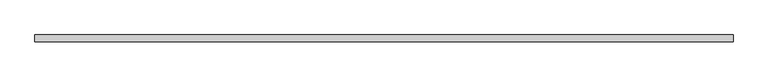
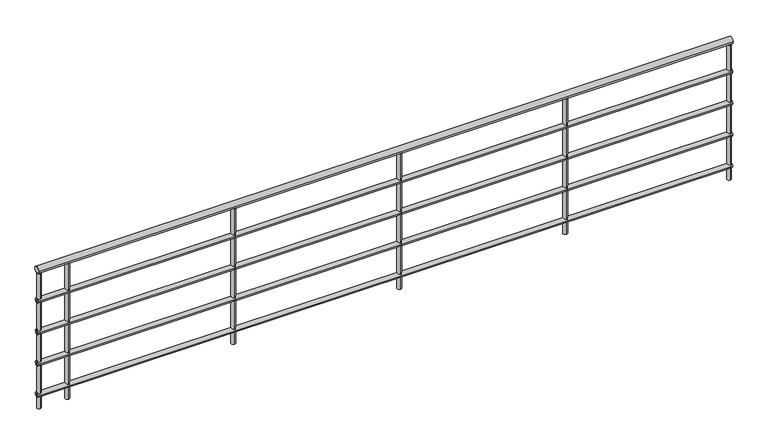
"""IFC4 building model written with IfcOpenShell, lengths in millimetres: railing geometry."""

from ifc_helpers import new_model, si_unit, point, frame, frame_2d, origin, origin_with_axes, place, context, project, spatial, circle_curve, trimmed, segment, composite_curve, outline, extrude, source, transform, mapped, element, save


def railing_e0d0bfd9(model_context):
    return source(origin(), model_context, "Body", "SweptSolid", [
        extrude(outline(composite_curve([segment(trimmed(circle_curve(frame_2d((-3714.9211093, 880.0)), 20.0), [point((-3734.9211093, 880.0))], [point((-3694.9211093, 880.0))], False, "CARTESIAN"), True, "CONTINUOUS"), segment(trimmed(circle_curve(frame_2d((-3714.9211093, 880.0)), 20.0), [point((-3694.9211093, 880.0))], [point((-3734.9211093, 880.0))], False, "CARTESIAN"), True, "CONTINUOUS")], self_intersect=False)), frame((-10658.5009188, 0.0, 0.0), z_axis=(1.0, 0.0, 0.0), x_axis=(0.0, 1.0, 0.0)), (0.0, 0.0, 1.0), 4182.7868852),
        extrude(outline(composite_curve([segment(trimmed(circle_curve(frame_2d((-3714.9211093, 685.0)), 15.0), [point((-3729.9211093, 685.0))], [point((-3699.9211093, 685.0))], False, "CARTESIAN"), True, "CONTINUOUS"), segment(trimmed(circle_curve(frame_2d((-3714.9211093, 685.0)), 15.0), [point((-3699.9211093, 685.0))], [point((-3729.9211093, 685.0))], False, "CARTESIAN"), True, "CONTINUOUS")], self_intersect=False)), frame((-10658.5009188, 0.0, 0.0), z_axis=(1.0, 0.0, 0.0), x_axis=(0.0, 1.0, 0.0)), (0.0, 0.0, 1.0), 4182.7868852),
        extrude(outline(composite_curve([segment(trimmed(circle_curve(frame_2d((-3714.9211093, 485.0)), 15.0), [point((-3729.9211093, 485.0))], [point((-3699.9211093, 485.0))], False, "CARTESIAN"), True, "CONTINUOUS"), segment(trimmed(circle_curve(frame_2d((-3714.9211093, 485.0)), 15.0), [point((-3699.9211093, 485.0))], [point((-3729.9211093, 485.0))], False, "CARTESIAN"), True, "CONTINUOUS")], self_intersect=False)), frame((-10658.5009188, 0.0, 0.0), z_axis=(1.0, 0.0, 0.0), x_axis=(0.0, 1.0, 0.0)), (0.0, 0.0, 1.0), 4182.7868852),
        extrude(outline(composite_curve([segment(trimmed(circle_curve(frame_2d((-3714.9211093, 285.0)), 15.0), [point((-3729.9211093, 285.0))], [point((-3699.9211093, 285.0))], False, "CARTESIAN"), True, "CONTINUOUS"), segment(trimmed(circle_curve(frame_2d((-3714.9211093, 285.0)), 15.0), [point((-3699.9211093, 285.0))], [point((-3729.9211093, 285.0))], False, "CARTESIAN"), True, "CONTINUOUS")], self_intersect=False)), frame((-10658.5009188, 0.0, 0.0), z_axis=(1.0, 0.0, 0.0), x_axis=(0.0, 1.0, 0.0)), (0.0, 0.0, 1.0), 4182.7868852),
        extrude(outline(composite_curve([segment(trimmed(circle_curve(frame_2d((-3714.9211093, 85.0)), 15.0), [point((-3729.9211093, 85.0))], [point((-3699.9211093, 85.0))], False, "CARTESIAN"), True, "CONTINUOUS"), segment(trimmed(circle_curve(frame_2d((-3714.9211093, 85.0)), 15.0), [point((-3699.9211093, 85.0))], [point((-3729.9211093, 85.0))], False, "CARTESIAN"), True, "CONTINUOUS")], self_intersect=False)), frame((-10658.5009188, 0.0, 0.0), z_axis=(1.0, 0.0, 0.0), x_axis=(0.0, 1.0, 0.0)), (0.0, 0.0, 1.0), 4182.7868852),
        extrude(outline(composite_curve([segment(trimmed(circle_curve(frame_2d((-10475.7140335, -3714.9211093)), 12.5), [point((-10475.7140335, -3727.4211093))], [point((-10475.7140335, -3702.4211093))], False, "CARTESIAN"), True, "CONTINUOUS"), segment(trimmed(circle_curve(frame_2d((-10475.7140335, -3714.9211093)), 12.5), [point((-10475.7140335, -3702.4211093))], [point((-10475.7140335, -3727.4211093))], False, "CARTESIAN"), True, "CONTINUOUS")], self_intersect=False)), origin_with_axes(), (0.0, 0.0, 1.0), 860.0),
        extrude(outline(composite_curve([segment(trimmed(circle_curve(frame_2d((-9475.7140335, -3714.9211093)), 12.5), [point((-9475.7140335, -3727.4211093))], [point((-9475.7140335, -3702.4211093))], False, "CARTESIAN"), True, "CONTINUOUS"), segment(trimmed(circle_curve(frame_2d((-9475.7140335, -3714.9211093)), 12.5), [point((-9475.7140335, -3702.4211093))], [point((-9475.7140335, -3727.4211093))], False, "CARTESIAN"), True, "CONTINUOUS")], self_intersect=False)), origin_with_axes(), (0.0, 0.0, 1.0), 860.0),
        extrude(outline(composite_curve([segment(trimmed(circle_curve(frame_2d((-8475.7140335, -3714.9211093)), 12.5), [point((-8475.7140335, -3727.4211093))], [point((-8475.7140335, -3702.4211093))], False, "CARTESIAN"), True, "CONTINUOUS"), segment(trimmed(circle_curve(frame_2d((-8475.7140335, -3714.9211093)), 12.5), [point((-8475.7140335, -3702.4211093))], [point((-8475.7140335, -3727.4211093))], False, "CARTESIAN"), True, "CONTINUOUS")], self_intersect=False)), origin_with_axes(), (0.0, 0.0, 1.0), 860.0),
        extrude(outline(composite_curve([segment(trimmed(circle_curve(frame_2d((-7475.7140335, -3714.9211093)), 12.5), [point((-7475.7140335, -3727.4211093))], [point((-7475.7140335, -3702.4211093))], False, "CARTESIAN"), True, "CONTINUOUS"), segment(trimmed(circle_curve(frame_2d((-7475.7140335, -3714.9211093)), 12.5), [point((-7475.7140335, -3702.4211093))], [point((-7475.7140335, -3727.4211093))], False, "CARTESIAN"), True, "CONTINUOUS")], self_intersect=False)), origin_with_axes(), (0.0, 0.0, 1.0), 860.0),
        extrude(outline(composite_curve([segment(trimmed(circle_curve(frame_2d((-10646.0009188, -3714.9211093)), 12.5), [point((-10646.0009188, -3727.4211093))], [point((-10646.0009188, -3702.4211093))], False, "CARTESIAN"), True, "CONTINUOUS"), segment(trimmed(circle_curve(frame_2d((-10646.0009188, -3714.9211093)), 12.5), [point((-10646.0009188, -3702.4211093))], [point((-10646.0009188, -3727.4211093))], False, "CARTESIAN"), True, "CONTINUOUS")], self_intersect=False)), origin_with_axes(), (0.0, 0.0, 1.0), 860.0),
        extrude(outline(composite_curve([segment(trimmed(circle_curve(frame_2d((-6488.2140335, -3714.9211093)), 12.5), [point((-6488.2140335, -3727.4211093))], [point((-6488.2140335, -3702.4211093))], False, "CARTESIAN"), True, "CONTINUOUS"), segment(trimmed(circle_curve(frame_2d((-6488.2140335, -3714.9211093)), 12.5), [point((-6488.2140335, -3702.4211093))], [point((-6488.2140335, -3727.4211093))], False, "CARTESIAN"), True, "CONTINUOUS")], self_intersect=False)), origin_with_axes(), (0.0, 0.0, 1.0), 860.0),
    ])


if __name__ == "__main__":
    model = new_model("IFC4")
    model_context = context("Model", 3, world=origin())
    ifc_project = project(units=[si_unit("LENGTHUNIT", "METRE", prefix="MILLI")], contexts=[model_context])
    site = spatial("IfcSite", under=ifc_project)
    building = spatial("IfcBuilding", under=site)
    placement = place(None, origin())
    railing_shape = railing_e0d0bfd9(model_context)
    element("IfcRailing", 1, at=placement, inside=building, context=model_context, shape_type="MappedRepresentation", body=[
        mapped(railing_shape, transform((0.0, 0.0, 0.0), x_axis=(1.0, 0.0, 0.0), y_axis=(0.0, 1.0, 0.0), z_axis=(0.0, 0.0, 1.0))),
    ])
    save(model, "model.ifc")
